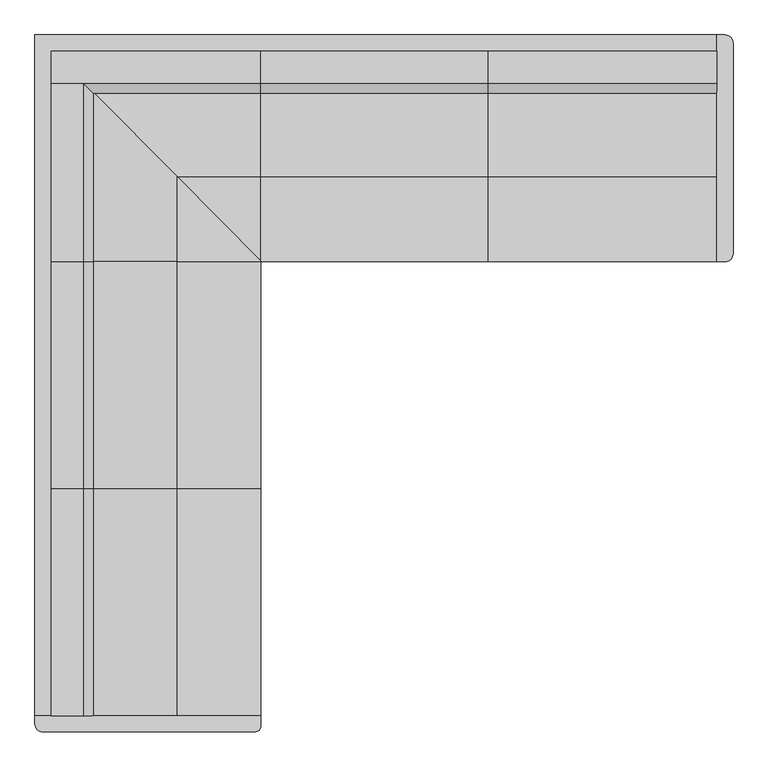
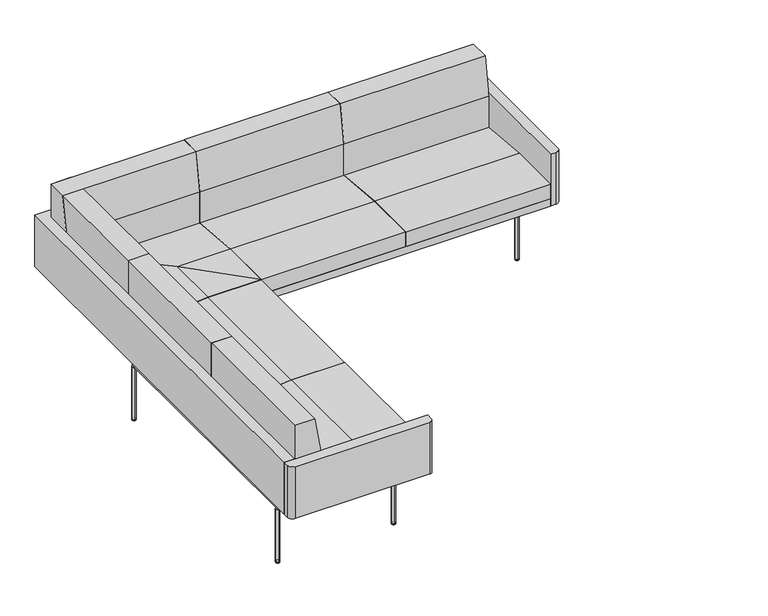
"""IFC4 building model written with IfcOpenShell, lengths in millimetres: furniture geometry."""

from ifc_helpers import new_model, si_unit, point, frame, frame_2d, origin, place, context, project, spatial, polyline, circle_curve, ellipse_curve, trimmed, segment, composite_curve, outline, extrude, faceted_brep, source, transform, mapped, element, save
from ifc_brep_helpers import plane_surface, revolved_surface, advanced_brep


def furniture_4f7dd1de(model_context):
    return source(origin(), model_context, "Body", "SolidModel", [
        extrude(outline(polyline([(-151.0170723, 761.9993339), (-50.8, 761.9993339), (-50.8, 355.5993339), (-183.057026, 355.5993339), (-183.057026, 570.0407405), (-151.0170723, 761.9993339)])), frame((707.1004874, 0.0, 0.0), z_axis=(1.0, 0.0, 0.0), x_axis=(0.0, 1.0, 0.0)), (0.0, 0.0, 1.0), 710.6907236),
        extrude(outline(polyline([(-151.0170723, 761.9993339), (-50.8, 761.9993339), (-50.8, 355.5993339), (-183.057026, 355.5993339), (-183.057026, 570.0407405), (-151.0170723, 761.9993339)])), frame((1419.061211, 0.0, 0.0), z_axis=(1.0, 0.0, 0.0), x_axis=(0.0, 1.0, 0.0)), (0.0, 0.0, 1.0), 714.900739),
        extrude(outline(polyline([(-50.8, 761.9993339), (-50.8, 355.5993339), (-183.057026, 355.5993339), (-183.057026, 570.0407405), (-151.0170723, 761.9993339), (-50.8, 761.9993339)])), frame((50.8, 0.0, 0.0), z_axis=(1.0, 0.0, 0.0), x_axis=(0.0, 1.0, 0.0)), (0.0, 0.0, 1.0), 655.0304874),
        extrude(outline(polyline([(761.9993339, 50.8), (355.5993339, 50.8), (355.5993339, 183.057026), (570.0407405, 183.057026), (761.9993339, 151.0170723), (761.9993339, 50.8)])), frame((0.0, -2131.8985317, 0.0), z_axis=(0.0, 1.0, 0.0), x_axis=(0.0, 0.0, 1.0)), (0.0, 0.0, 1.0), 709.8211468),
        extrude(outline(polyline([(761.9993339, 151.0170723), (761.9993339, 50.8), (355.5993339, 50.8), (355.5993339, 183.057026), (570.0407405, 183.057026), (761.9993339, 151.0170723)])), frame((0.0, -1420.8073849, 0.0), z_axis=(0.0, 1.0, 0.0), x_axis=(0.0, 0.0, 1.0)), (0.0, 0.0, 1.0), 710.326875),
        extrude(outline(polyline([(761.9993339, 151.0170723), (761.9993339, 50.8), (355.5993339, 50.8), (355.5993339, 183.057026), (570.0407405, 183.057026), (761.9993339, 151.0170723)])), frame((0.0, -709.2105099, 0.0), z_axis=(0.0, 1.0, 0.0), x_axis=(0.0, 0.0, 1.0)), (0.0, 0.0, 1.0), 658.4105099),
        faceted_brep([(184.327176, -1422.0773849, 355.5993339), (184.327176, -1422.0773849, 408.5303465), (445.3190385, -1422.0773849, 431.3641497), (707.1541095, -1422.0773849, 431.3641497), (707.1541095, -1422.0773849, 355.5993339), (184.327176, -2131.8985317, 355.5993339), (707.1541095, -2131.8985317, 355.5993339), (707.1541095, -2131.8985317, 431.3641497), (445.3190385, -2131.8985317, 431.3641497), (184.327176, -2131.8985317, 408.5303465)], [[[0, 1, 2, 3, 4]], [[5, 6, 7, 8, 9]], [[5, 9, 1, 0]], [[6, 5, 0, 4]], [[7, 6, 4, 3]], [[8, 7, 3, 2]], [[9, 8, 2, 1]]]),
        faceted_brep([(184.327176, -1420.8073849, 408.5303465), (184.327176, -1420.8073849, 355.5993339), (707.1541095, -1420.8073849, 355.5993339), (707.1541095, -1420.8073849, 431.3641497), (445.3190385, -1420.8073849, 431.3641497), (184.327176, -710.4805099, 355.5993339), (184.327176, -710.4805099, 408.5303465), (445.3190385, -710.4805099, 431.3641497), (707.1541095, -710.4805099, 431.3641497), (707.1541095, -710.4805099, 355.5993339)], [[[0, 1, 2, 3, 4]], [[5, 6, 7, 8, 9]], [[0, 6, 5, 1]], [[1, 5, 9, 2]], [[2, 9, 8, 3]], [[3, 8, 7, 4]], [[6, 0, 4, 7]]]),
        faceted_brep([(184.327176, -709.2105099, 408.5303465), (184.327176, -709.2105099, 355.5993339), (707.1541095, -709.2105099, 355.5993339), (707.1541095, -709.2105099, 431.3641497), (445.3190385, -709.2105099, 431.3641497), (184.327176, -180.3067751, 355.5993339), (184.327176, -180.3067751, 408.5303465), (445.3190385, -443.5252781, 431.3641497), (707.1541095, -707.5941835, 431.3641497), (707.1541095, -707.5941835, 355.5993339)], [[[0, 1, 2, 3, 4]], [[5, 6, 7, 8, 9]], [[6, 5, 1, 0]], [[5, 9, 2, 1]], [[9, 8, 3, 2]], [[8, 7, 4, 3]], [[7, 6, 0, 4]]]),
        faceted_brep([(1417.791211, -445.3190385, 431.3641497), (1417.791211, -710.3492658, 431.3641497), (1417.791211, -710.3492658, 355.5993339), (1417.791211, -180.3067751, 355.5993339), (1417.791211, -180.3067751, 408.1786074), (707.1004874, -707.5401039, 431.3641497), (707.1004874, -445.3190385, 431.3641497), (707.1004874, -180.3067751, 408.1786074), (707.1004874, -180.3067751, 355.5993339), (707.1004874, -707.5401039, 355.5993339), (709.8858858, -710.3492658, 355.5993339), (709.8858858, -710.3492658, 431.3641497)], [[[0, 1, 2, 3, 4]], [[5, 6, 7, 8, 9]], [[10, 11, 5, 9]], [[0, 6, 5, 11, 1]], [[11, 10, 2, 1]], [[2, 10, 9, 8, 3]], [[3, 8, 7, 4]], [[6, 0, 4, 7]]]),
        faceted_brep([(1419.061211, -710.3492658, 431.3641497), (1419.061211, -445.3190385, 431.3641497), (1419.061211, -180.3067751, 408.1786074), (1419.061211, -180.3067751, 355.5993339), (1419.061211, -710.3492658, 355.5993339), (2133.96195, -445.3190385, 431.3641497), (2133.96195, -710.3492658, 431.3641497), (2133.96195, -710.3492658, 355.5993339), (2133.96195, -180.3067751, 355.5993339), (2133.96195, -180.3067751, 408.1786074)], [[[0, 1, 2, 3, 4]], [[5, 6, 7, 8, 9]], [[6, 5, 1, 0]], [[7, 6, 0, 4]], [[8, 7, 4, 3]], [[9, 8, 3, 2]], [[5, 9, 2, 1]]]),
        faceted_brep([(705.8304874, -445.3190385, 431.3641497), (705.8304874, -706.2592689, 431.3641497), (705.8304874, -706.2592689, 355.5993339), (705.8304874, -180.3067751, 355.5993339), (705.8304874, -180.3067751, 408.1786074), (184.327176, -180.3067751, 408.1786074), (184.327176, -180.3067751, 355.5993339), (447.0976249, -445.3190385, 431.3641497)], [[[0, 1, 2, 3, 4]], [[5, 6, 2, 1, 7]], [[0, 7, 1]], [[2, 6, 3]], [[6, 5, 4, 3]], [[5, 7, 0, 4]]]),
        extrude(outline(polyline([(2133.96195, -50.8), (2133.96195, -710.3492658), (707.1541095, -710.3492658), (707.1541095, -2131.8985317), (50.8, -2131.8985317), (50.8, -50.8), (2133.96195, -50.8)])), frame((0.0, 0.0, 317.4993339), z_axis=(0.0, 0.0, 1.0), x_axis=(1.0, 0.0, 0.0)), (0.0, 0.0, 1.0), 38.1),
        extrude(outline(composite_curve([segment(trimmed(circle_curve(frame_2d((2159.36195, -25.4)), 25.4), [point((2159.36195, 0.0))], [point((2184.76195, -25.4))], False, "CARTESIAN"), True, "CONTINUOUS"), segment(polyline([(2184.76195, -25.4), (2184.76195, -684.9492658)]), True, "CONTINUOUS"), segment(trimmed(circle_curve(frame_2d((2159.36195, -684.9492658)), 25.4), [point((2184.76195, -684.9492658))], [point((2159.36195, -710.3492658))], False, "CARTESIAN"), True, "CONTINUOUS"), segment(polyline([(2159.36195, -710.3492658), (2133.96195, -710.3492658), (2133.96195, 0.0), (2159.36195, 0.0)]), True, "CONTINUOUS")], self_intersect=False)), frame((0.0, 0.0, 317.4993339), z_axis=(0.0, 0.0, 1.0), x_axis=(1.0, 0.0, 0.0)), (0.0, 0.0, 1.0), 269.8307867),
        extrude(outline(composite_curve([segment(polyline([(707.1541095, -2131.8985317), (707.1541095, -2163.6485317)]), True, "CONTINUOUS"), segment(trimmed(circle_curve(frame_2d((688.1041095, -2163.6485317)), 19.05), [point((707.1541095, -2163.6485317))], [point((688.1041095, -2182.6985317))], False, "CARTESIAN"), True, "CONTINUOUS"), segment(polyline([(688.1041095, -2182.6985317), (25.4, -2182.6985317)]), True, "CONTINUOUS"), segment(trimmed(circle_curve(frame_2d((25.4, -2157.2985317)), 25.4), [point((25.4, -2182.6985317))], [point((0.0, -2157.2985317))], False, "CARTESIAN"), True, "CONTINUOUS"), segment(polyline([(0.0, -2157.2985317), (0.0, -2131.8985317), (707.1541095, -2131.8985317)]), True, "CONTINUOUS")], self_intersect=False)), frame((0.0, 0.0, 317.4993339), z_axis=(0.0, 0.0, 1.0), x_axis=(1.0, 0.0, 0.0)), (0.0, 0.0, 1.0), 269.8307867),
        extrude(outline(polyline([(609.7809713, -2044.1865069), (19.662202, -2044.1865069), (19.662202, -798.3514283), (609.7809713, -798.3514283), (609.7809713, -2044.1865069)]), holes=[polyline([(592.6354071, -2025.861608), (592.6354071, -817.4014283), (38.712202, -817.4014283), (38.712202, -2025.861608), (592.6354071, -2025.861608)])]), frame((0.0, 0.0, 279.4000061), z_axis=(0.0, 0.0, 1.0), x_axis=(1.0, 0.0, 0.0)), (0.0, 0.0, 1.0), 38.0993278),
        extrude(outline(composite_curve([segment(trimmed(circle_curve(frame_2d((591.7998376, -809.4631812)), 9.525), [point((591.7998376, -799.9381812))], [point((601.3248376, -809.4631812))], False, "CARTESIAN"), True, "CONTINUOUS"), segment(trimmed(circle_curve(frame_2d((591.7998376, -809.4631812)), 9.525), [point((601.3248376, -809.4631812))], [point((591.7998376, -818.9881812))], False, "CARTESIAN"), True, "CONTINUOUS"), segment(trimmed(circle_curve(frame_2d((591.7998376, -809.4631812)), 9.525), [point((591.7998376, -818.9881812))], [point((582.2748376, -809.4631812))], False, "CARTESIAN"), True, "CONTINUOUS"), segment(trimmed(circle_curve(frame_2d((591.7998376, -809.4631812)), 9.525), [point((582.2748376, -809.4631812))], [point((591.7998376, -799.9381812))], False, "CARTESIAN"), True, "CONTINUOUS")], self_intersect=False)), frame((0.0, 0.0, 9.525), z_axis=(0.0, 0.0, 1.0), x_axis=(1.0, 0.0, 0.0)), (0.0, 0.0, 1.0), 269.8750061),
        extrude(outline(composite_curve([segment(trimmed(circle_curve(frame_2d((20.928692, -809.5619233)), 9.525), [point((20.928692, -800.0369233))], [point((30.453692, -809.5619233))], False, "CARTESIAN"), True, "CONTINUOUS"), segment(trimmed(circle_curve(frame_2d((20.928692, -809.5619233)), 9.525), [point((30.453692, -809.5619233))], [point((20.928692, -819.0869233))], False, "CARTESIAN"), True, "CONTINUOUS"), segment(trimmed(circle_curve(frame_2d((20.928692, -809.5619233)), 9.525), [point((20.928692, -819.0869233))], [point((11.403692, -809.5619233))], False, "CARTESIAN"), True, "CONTINUOUS"), segment(trimmed(circle_curve(frame_2d((20.928692, -809.5619233)), 9.525), [point((11.403692, -809.5619233))], [point((20.928692, -800.0369233))], False, "CARTESIAN"), True, "CONTINUOUS")], self_intersect=False)), frame((0.0, 0.0, 9.525), z_axis=(0.0, 0.0, 1.0), x_axis=(1.0, 0.0, 0.0)), (0.0, 0.0, 1.0), 269.8750061),
        advanced_brep(
        [(21.2885159, -812.7205803, 0.0), (21.2885159, -805.1542144, 0.0), (21.2885159, -808.9373973, 0.0), (21.2885159, -818.4623973, 3.1750001), (21.2885159, -799.4123973, 3.1750001), (21.2885159, -818.5928435, 6.4931848), (21.2885159, -799.2819511, 6.4931848), (21.2885159, -813.087272, 9.5049435), (21.2885159, -804.7875227, 9.5049435), (21.2885159, -808.9373973, 9.5049435)],
        [
            (0, 1, circle_curve(frame((21.2885159, -808.9373973, 0.0), z_axis=(0.0, 0.0, -1.0), x_axis=(0.0, 1.0, 0.0)), 3.783183)),
            (1, 2),
            (2, 0),
            (1, 0, circle_curve(frame((21.2885159, -808.9373973, 0.0), z_axis=(0.0, 0.0, -1.0), x_axis=(0.0, 1.0, 0.0)), 3.783183)),
            (3, 4, circle_curve(frame((21.2885159, -808.9373973, 3.1750001), z_axis=(0.0, 0.0, -1.0), x_axis=(0.0, 1.0, 0.0)), 9.525)),
            (4, 1, circle_curve(frame((21.2885159, -805.1542144, 6.7793838), z_axis=(-1.0, 0.0, 0.0), x_axis=(0.0, 1.0, 0.0)), 6.7793838)),
            (0, 3, circle_curve(frame((21.2885159, -812.7205803, 6.7793838), z_axis=(-1.0, 0.0, 0.0), x_axis=(0.0, -1.0, 0.0)), 6.7793838)),
            (4, 3, circle_curve(frame((21.2885159, -808.9373973, 3.1750001), z_axis=(0.0, 0.0, -1.0), x_axis=(0.0, 1.0, 0.0)), 9.525)),
            (5, 6, circle_curve(frame((21.2885159, -808.9373973, 6.4931848), z_axis=(0.0, 0.0, -1.0), x_axis=(0.0, 1.0, 0.0)), 9.6554462)),
            (6, 4),
            (3, 5),
            (6, 5, circle_curve(frame((21.2885159, -808.9373973, 6.4931848), z_axis=(0.0, 0.0, -1.0), x_axis=(0.0, 1.0, 0.0)), 9.6554462)),
            (7, 8, circle_curve(frame((21.2885159, -808.9373973, 9.5049435), z_axis=(0.0, 0.0, -1.0), x_axis=(0.0, 1.0, 0.0)), 4.1498747)),
            (8, 6, circle_curve(frame((21.2885159, -804.7875227, 2.9669016), z_axis=(-1.0, 0.0, 0.0), x_axis=(0.0, 1.0, 0.0)), 6.5380418)),
            (5, 7, circle_curve(frame((21.2885159, -813.087272, 2.9669016), z_axis=(-1.0, 0.0, 0.0), x_axis=(0.0, -1.0, 0.0)), 6.5380418)),
            (8, 7, circle_curve(frame((21.2885159, -808.9373973, 9.5049435), z_axis=(0.0, 0.0, -1.0), x_axis=(0.0, 1.0, 0.0)), 4.1498747)),
            (9, 8),
            (7, 9),
        ],
        [
            plane_surface(frame((21.2885159, -808.9373973, 0.0), z_axis=(0.0, 0.0, -1.0), x_axis=(0.0, 1.0, 0.0))),
            revolved_surface(trimmed(ellipse_curve(frame((21.2885159, -805.1542144, 6.7793838), z_axis=(1.0, 0.0, 0.0), x_axis=(0.0, 1.0, 0.0)), 6.7793838, 6.7793838), [point((21.2885159, -805.1542144, 0.0))], [point((21.2885159, -799.4123973, 3.1750001))], True, "CARTESIAN"), (21.2885159, -808.9373973, 2.4865786), (0.0, 0.0, 1.0)),
            revolved_surface(polyline([(21.2885159, -799.4123973, 3.1750001), (21.2885159, -799.2819511, 6.4931848)]), (21.2885159, -808.9373973, 2.4865786), (0.0, 0.0, 1.0)),
            revolved_surface(trimmed(ellipse_curve(frame((21.2885159, -804.7875227, 2.9669016), z_axis=(1.0, 0.0, 0.0), x_axis=(0.0, 1.0, 0.0)), 6.5380418, 6.5380418), [point((21.2885159, -799.2819511, 6.4931848))], [point((21.2885159, -804.7875227, 9.5049435))], True, "CARTESIAN"), (21.2885159, -808.9373973, 2.4865786), (0.0, 0.0, 1.0)),
            plane_surface(frame((21.2885159, -808.9373973, 9.5049435), z_axis=(0.0, 0.0, 1.0), x_axis=(0.0, 1.0, 0.0))),
        ],
        [
            (0, [[1, 2, 3]]),
            (0, [[4, -3, -2]]),
            (1, [[5, 6, -1, 7]]),
            (1, [[8, -7, -4, -6]]),
            (2, [[9, 10, -5, 11]]),
            (2, [[12, -11, -8, -10]]),
            (3, [[13, 14, -9, 15]]),
            (3, [[16, -15, -12, -14]]),
            (4, [[17, -13, 18]]),
            (4, [[-18, -16, -17]]),
        ],
    ),
        advanced_brep(
        [(592.7184648, -809.1039254, 0.0), (592.7184648, -805.3207425, 0.0), (592.7184648, -812.8871084, 0.0), (592.7184648, -799.5789254, 3.1750001), (592.7184648, -818.6289254, 3.1750001), (592.7184648, -799.4484792, 6.4931848), (592.7184648, -818.7593716, 6.4931848), (592.7184648, -804.9540508, 9.5049435), (592.7184648, -813.2538001, 9.5049435), (592.7184648, -809.1039254, 9.5049435)],
        [
            (0, 1),
            (1, 2, circle_curve(frame((592.7184648, -809.1039254, 0.0), z_axis=(0.0, 0.0, -1.0), x_axis=(0.0, 1.0, 0.0)), 3.783183)),
            (2, 0),
            (2, 1, circle_curve(frame((592.7184648, -809.1039254, 0.0), z_axis=(0.0, 0.0, -1.0), x_axis=(0.0, 1.0, 0.0)), 3.783183)),
            (1, 3, circle_curve(frame((592.7184648, -805.3207425, 6.7793838), z_axis=(1.0, 0.0, 0.0), x_axis=(0.0, 1.0, 0.0)), 6.7793838)),
            (3, 4, circle_curve(frame((592.7184648, -809.1039254, 3.1750001), z_axis=(0.0, 0.0, -1.0), x_axis=(0.0, 1.0, 0.0)), 9.525)),
            (4, 2, circle_curve(frame((592.7184648, -812.8871084, 6.7793838), z_axis=(1.0, 0.0, 0.0), x_axis=(0.0, -1.0, 0.0)), 6.7793838)),
            (4, 3, circle_curve(frame((592.7184648, -809.1039254, 3.1750001), z_axis=(0.0, 0.0, -1.0), x_axis=(0.0, 1.0, 0.0)), 9.525)),
            (3, 5),
            (5, 6, circle_curve(frame((592.7184648, -809.1039254, 6.4931848), z_axis=(0.0, 0.0, -1.0), x_axis=(0.0, 1.0, 0.0)), 9.6554462)),
            (6, 4),
            (6, 5, circle_curve(frame((592.7184648, -809.1039254, 6.4931848), z_axis=(0.0, 0.0, -1.0), x_axis=(0.0, 1.0, 0.0)), 9.6554462)),
            (5, 7, circle_curve(frame((592.7184648, -804.9540508, 2.9669016), z_axis=(1.0, 0.0, 0.0), x_axis=(0.0, 1.0, 0.0)), 6.5380418)),
            (7, 8, circle_curve(frame((592.7184648, -809.1039254, 9.5049435), z_axis=(0.0, 0.0, -1.0), x_axis=(0.0, 1.0, 0.0)), 4.1498747)),
            (8, 6, circle_curve(frame((592.7184648, -813.2538001, 2.9669016), z_axis=(1.0, 0.0, 0.0), x_axis=(0.0, -1.0, 0.0)), 6.5380418)),
            (8, 7, circle_curve(frame((592.7184648, -809.1039254, 9.5049435), z_axis=(0.0, 0.0, -1.0), x_axis=(0.0, 1.0, 0.0)), 4.1498747)),
            (7, 9),
            (9, 8),
        ],
        [
            plane_surface(frame((592.7184648, -809.1039254, 0.0), z_axis=(0.0, 0.0, -1.0), x_axis=(0.0, 1.0, 0.0))),
            revolved_surface(trimmed(ellipse_curve(frame((592.7184648, -805.3207425, 6.7793838), z_axis=(-1.0, 0.0, 0.0), x_axis=(0.0, 1.0, 0.0)), 6.7793838, 6.7793838), [point((592.7184648, -799.5789254, 3.1750001))], [point((592.7184648, -805.3207425, 0.0))], True, "CARTESIAN"), (592.7184648, -809.1039254, 2.4865786), (0.0, 0.0, -1.0)),
            revolved_surface(polyline([(592.7184648, -799.4484792, 6.4931848), (592.7184648, -799.5789254, 3.1750001)]), (592.7184648, -809.1039254, 2.4865786), (0.0, 0.0, -1.0)),
            revolved_surface(trimmed(ellipse_curve(frame((592.7184648, -804.9540508, 2.9669016), z_axis=(-1.0, 0.0, 0.0), x_axis=(0.0, 1.0, 0.0)), 6.5380418, 6.5380418), [point((592.7184648, -804.9540508, 9.5049435))], [point((592.7184648, -799.4484792, 6.4931848))], True, "CARTESIAN"), (592.7184648, -809.1039254, 2.4865786), (0.0, 0.0, -1.0)),
            plane_surface(frame((592.7184648, -809.1039254, 9.5049435), z_axis=(0.0, 0.0, 1.0), x_axis=(0.0, 1.0, 0.0))),
        ],
        [
            (0, [[1, 2, 3]]),
            (0, [[-3, 4, -1]]),
            (1, [[-2, 5, 6, 7]]),
            (1, [[-4, -7, 8, -5]]),
            (2, [[-6, 9, 10, 11]]),
            (2, [[-8, -11, 12, -9]]),
            (3, [[-10, 13, 14, 15]]),
            (3, [[-12, -15, 16, -13]]),
            (4, [[-14, 17, 18]]),
            (4, [[-16, -18, -17]]),
        ],
    ),
        advanced_brep(
        [(22.0372839, -2035.5523518, 0.0), (22.0372839, -2039.3355348, 0.0), (22.0372839, -2031.7691688, 0.0), (22.0372839, -2045.0773518, 3.1750001), (22.0372839, -2026.0273518, 3.1750001), (22.0372839, -2045.207798, 6.4931848), (22.0372839, -2025.8969056, 6.4931848), (22.0372839, -2039.7022265, 9.5049434), (22.0372839, -2031.4024771, 9.5049434), (22.0372839, -2035.5523518, 9.5049435)],
        [
            (0, 1),
            (1, 2, circle_curve(frame((22.0372839, -2035.5523518, 0.0), z_axis=(0.0, 0.0, -1.0), x_axis=(0.0, -1.0, 0.0)), 3.783183)),
            (2, 0),
            (2, 1, circle_curve(frame((22.0372839, -2035.5523518, 0.0), z_axis=(0.0, 0.0, -1.0), x_axis=(0.0, -1.0, 0.0)), 3.783183)),
            (1, 3, circle_curve(frame((22.0372839, -2039.3355348, 6.7793838), z_axis=(-1.0, 0.0, 0.0), x_axis=(0.0, -1.0, 0.0)), 6.7793838)),
            (3, 4, circle_curve(frame((22.0372839, -2035.5523518, 3.1750001), z_axis=(0.0, 0.0, -1.0), x_axis=(0.0, -1.0, 0.0)), 9.525)),
            (4, 2, circle_curve(frame((22.0372839, -2031.7691688, 6.7793838), z_axis=(-1.0, 0.0, 0.0), x_axis=(0.0, 1.0, 0.0)), 6.7793838)),
            (4, 3, circle_curve(frame((22.0372839, -2035.5523518, 3.1750001), z_axis=(0.0, 0.0, -1.0), x_axis=(0.0, -1.0, 0.0)), 9.525)),
            (3, 5),
            (5, 6, circle_curve(frame((22.0372839, -2035.5523518, 6.4931848), z_axis=(0.0, 0.0, -1.0), x_axis=(0.0, -1.0, 0.0)), 9.6554462)),
            (6, 4),
            (6, 5, circle_curve(frame((22.0372839, -2035.5523518, 6.4931848), z_axis=(0.0, 0.0, -1.0), x_axis=(0.0, -1.0, 0.0)), 9.6554462)),
            (5, 7, circle_curve(frame((22.0372839, -2039.7022265, 2.9669016), z_axis=(-1.0, 0.0, 0.0), x_axis=(0.0, -1.0, 0.0)), 6.5380418)),
            (7, 8, circle_curve(frame((22.0372839, -2035.5523518, 9.5049434), z_axis=(0.0, 0.0, -1.0), x_axis=(0.0, -1.0, 0.0)), 4.1498747)),
            (8, 6, circle_curve(frame((22.0372839, -2031.4024771, 2.9669016), z_axis=(-1.0, 0.0, 0.0), x_axis=(0.0, 1.0, 0.0)), 6.5380418)),
            (8, 7, circle_curve(frame((22.0372839, -2035.5523518, 9.5049434), z_axis=(0.0, 0.0, -1.0), x_axis=(0.0, -1.0, 0.0)), 4.1498747)),
            (7, 9),
            (9, 8),
        ],
        [
            plane_surface(frame((22.0372839, -2035.5523518, 0.0), z_axis=(0.0, 0.0, -1.0), x_axis=(0.0, -1.0, 0.0))),
            revolved_surface(trimmed(ellipse_curve(frame((22.0372839, -2039.3355348, 6.7793838), z_axis=(1.0, 0.0, 0.0), x_axis=(0.0, -1.0, 0.0)), 6.7793838, 6.7793838), [point((22.0372839, -2045.0773518, 3.1750001))], [point((22.0372839, -2039.3355348, 0.0))], True, "CARTESIAN"), (22.0372839, -2035.5523518, 2.4865786), (0.0, 0.0, -1.0)),
            revolved_surface(polyline([(22.0372839, -2045.207798, 6.4931848), (22.0372839, -2045.0773518, 3.1750001)]), (22.0372839, -2035.5523518, 2.4865786), (0.0, 0.0, -1.0)),
            revolved_surface(trimmed(ellipse_curve(frame((22.0372839, -2039.7022265, 2.9669016), z_axis=(1.0, 0.0, 0.0), x_axis=(0.0, -1.0, 0.0)), 6.5380418, 6.5380418), [point((22.0372839, -2039.7022265, 9.5049434))], [point((22.0372839, -2045.207798, 6.4931848))], True, "CARTESIAN"), (22.0372839, -2035.5523518, 2.4865786), (0.0, 0.0, -1.0)),
            plane_surface(frame((22.0372839, -2035.5523518, 9.5049435), z_axis=(0.0, 0.0, 1.0), x_axis=(0.0, -1.0, 0.0))),
        ],
        [
            (0, [[1, 2, 3]]),
            (0, [[-3, 4, -1]]),
            (1, [[-2, 5, 6, 7]]),
            (1, [[-4, -7, 8, -5]]),
            (2, [[-6, 9, 10, 11]]),
            (2, [[-8, -11, 12, -9]]),
            (3, [[-10, 13, 14, 15]]),
            (3, [[-12, -15, 16, -13]]),
            (4, [[-14, 17, 18]]),
            (4, [[-16, -18, -17]]),
        ],
    ),
        advanced_brep(
        [(594.0808058, -2031.5939054, 0.0), (594.0808058, -2039.1602714, 0.0), (594.0808058, -2035.3770884, 0.0), (594.0808058, -2025.8520884, 3.1750001), (594.0808058, -2044.9020884, 3.1750001), (594.0808058, -2025.7216422, 6.4931848), (594.0808058, -2045.0325346, 6.4931848), (594.0808058, -2031.2272137, 9.5049435), (594.0808058, -2039.526963, 9.5049435), (594.0808058, -2035.3770884, 9.5049435)],
        [
            (0, 1, circle_curve(frame((594.0808058, -2035.3770884, 0.0), z_axis=(0.0, 0.0, -1.0), x_axis=(0.0, -1.0, 0.0)), 3.783183)),
            (1, 2),
            (2, 0),
            (1, 0, circle_curve(frame((594.0808058, -2035.3770884, 0.0), z_axis=(0.0, 0.0, -1.0), x_axis=(0.0, -1.0, 0.0)), 3.783183)),
            (3, 4, circle_curve(frame((594.0808058, -2035.3770884, 3.1750001), z_axis=(0.0, 0.0, -1.0), x_axis=(0.0, -1.0, 0.0)), 9.525)),
            (4, 1, circle_curve(frame((594.0808058, -2039.1602714, 6.7793838), z_axis=(1.0, 0.0, 0.0), x_axis=(0.0, -1.0, 0.0)), 6.7793838)),
            (0, 3, circle_curve(frame((594.0808058, -2031.5939054, 6.7793838), z_axis=(1.0, 0.0, 0.0), x_axis=(0.0, 1.0, 0.0)), 6.7793838)),
            (4, 3, circle_curve(frame((594.0808058, -2035.3770884, 3.1750001), z_axis=(0.0, 0.0, -1.0), x_axis=(0.0, -1.0, 0.0)), 9.525)),
            (5, 6, circle_curve(frame((594.0808058, -2035.3770884, 6.4931848), z_axis=(0.0, 0.0, -1.0), x_axis=(0.0, -1.0, 0.0)), 9.6554462)),
            (6, 4),
            (3, 5),
            (6, 5, circle_curve(frame((594.0808058, -2035.3770884, 6.4931848), z_axis=(0.0, 0.0, -1.0), x_axis=(0.0, -1.0, 0.0)), 9.6554462)),
            (7, 8, circle_curve(frame((594.0808058, -2035.3770884, 9.5049435), z_axis=(0.0, 0.0, -1.0), x_axis=(0.0, -1.0, 0.0)), 4.1498747)),
            (8, 6, circle_curve(frame((594.0808058, -2039.526963, 2.9669016), z_axis=(1.0, 0.0, 0.0), x_axis=(0.0, -1.0, 0.0)), 6.5380418)),
            (5, 7, circle_curve(frame((594.0808058, -2031.2272137, 2.9669016), z_axis=(1.0, 0.0, 0.0), x_axis=(0.0, 1.0, 0.0)), 6.5380418)),
            (8, 7, circle_curve(frame((594.0808058, -2035.3770884, 9.5049435), z_axis=(0.0, 0.0, -1.0), x_axis=(0.0, -1.0, 0.0)), 4.1498747)),
            (9, 8),
            (7, 9),
        ],
        [
            plane_surface(frame((594.0808058, -2035.3770884, 0.0), z_axis=(0.0, 0.0, -1.0), x_axis=(0.0, -1.0, 0.0))),
            revolved_surface(trimmed(ellipse_curve(frame((594.0808058, -2039.1602714, 6.7793838), z_axis=(-1.0, 0.0, 0.0), x_axis=(0.0, -1.0, 0.0)), 6.7793838, 6.7793838), [point((594.0808058, -2039.1602714, 0.0))], [point((594.0808058, -2044.9020884, 3.1750001))], True, "CARTESIAN"), (594.0808058, -2035.3770884, 2.4865786), (0.0, 0.0, 1.0)),
            revolved_surface(polyline([(594.0808058, -2044.9020884, 3.1750001), (594.0808058, -2045.0325346, 6.4931848)]), (594.0808058, -2035.3770884, 2.4865786), (0.0, 0.0, 1.0)),
            revolved_surface(trimmed(ellipse_curve(frame((594.0808058, -2039.526963, 2.9669016), z_axis=(-1.0, 0.0, 0.0), x_axis=(0.0, -1.0, 0.0)), 6.5380418, 6.5380418), [point((594.0808058, -2045.0325346, 6.4931848))], [point((594.0808058, -2039.526963, 9.5049435))], True, "CARTESIAN"), (594.0808058, -2035.3770884, 2.4865786), (0.0, 0.0, 1.0)),
            plane_surface(frame((594.0808058, -2035.3770884, 9.5049435), z_axis=(0.0, 0.0, 1.0), x_axis=(0.0, -1.0, 0.0))),
        ],
        [
            (0, [[1, 2, 3]]),
            (0, [[4, -3, -2]]),
            (1, [[5, 6, -1, 7]]),
            (1, [[8, -7, -4, -6]]),
            (2, [[9, 10, -5, 11]]),
            (2, [[12, -11, -8, -10]]),
            (3, [[13, 14, -9, 15]]),
            (3, [[16, -15, -12, -14]]),
            (4, [[17, -13, 18]]),
            (4, [[-18, -16, -17]]),
        ],
    ),
        extrude(outline(composite_curve([segment(trimmed(circle_curve(frame_2d((593.3031962, -2035.4749288)), 9.525), [point((593.3031962, -2044.9999288))], [point((583.7781962, -2035.4749288))], False, "CARTESIAN"), True, "CONTINUOUS"), segment(trimmed(circle_curve(frame_2d((593.3031962, -2035.4749288)), 9.525), [point((583.7781962, -2035.4749288))], [point((593.3031962, -2025.9499288))], False, "CARTESIAN"), True, "CONTINUOUS"), segment(trimmed(circle_curve(frame_2d((593.3031962, -2035.4749288)), 9.525), [point((593.3031962, -2025.9499288))], [point((602.8281962, -2035.4749288))], False, "CARTESIAN"), True, "CONTINUOUS"), segment(trimmed(circle_curve(frame_2d((593.3031962, -2035.4749288)), 9.525), [point((602.8281962, -2035.4749288))], [point((593.3031962, -2044.9999288))], False, "CARTESIAN"), True, "CONTINUOUS")], self_intersect=False)), frame((0.0, 0.0, 9.525), z_axis=(0.0, 0.0, 1.0), x_axis=(1.0, 0.0, 0.0)), (0.0, 0.0, 1.0), 269.8750061),
        extrude(outline(composite_curve([segment(trimmed(circle_curve(frame_2d((22.1640909, -2035.3761867)), 9.525), [point((22.1640909, -2044.9011867))], [point((12.6390909, -2035.3761867))], False, "CARTESIAN"), True, "CONTINUOUS"), segment(trimmed(circle_curve(frame_2d((22.1640909, -2035.3761867)), 9.525), [point((12.6390909, -2035.3761867))], [point((22.1640909, -2025.8511867))], False, "CARTESIAN"), True, "CONTINUOUS"), segment(trimmed(circle_curve(frame_2d((22.1640909, -2035.3761867)), 9.525), [point((22.1640909, -2025.8511867))], [point((31.6890909, -2035.3761867))], False, "CARTESIAN"), True, "CONTINUOUS"), segment(trimmed(circle_curve(frame_2d((22.1640909, -2035.3761867)), 9.525), [point((31.6890909, -2035.3761867))], [point((22.1640909, -2044.9011867))], False, "CARTESIAN"), True, "CONTINUOUS")], self_intersect=False)), frame((0.0, 0.0, 9.525), z_axis=(0.0, 0.0, 1.0), x_axis=(1.0, 0.0, 0.0)), (0.0, 0.0, 1.0), 269.8750061),
        extrude(outline(polyline([(2044.499587, -13.1312368), (2044.499587, -603.2500051), (266.477247, -603.2500051), (266.477247, -13.1312368), (2044.499587, -13.1312368)]), holes=[polyline([(2025.8742703, -30.2768), (285.527247, -30.2768), (285.527247, -584.2000051), (2025.8742703, -584.2000051), (2025.8742703, -30.2768)])]), frame((0.0, 0.0, 279.4000061), z_axis=(0.0, 0.0, 1.0), x_axis=(1.0, 0.0, 0.0)), (0.0, 0.0, 1.0), 38.0993278),
        extrude(outline(composite_curve([segment(trimmed(circle_curve(frame_2d((276.437054, -22.8134188)), 9.525), [point((266.912054, -22.8134188))], [point((276.437054, -13.2884188))], False, "CARTESIAN"), True, "CONTINUOUS"), segment(trimmed(circle_curve(frame_2d((276.437054, -22.8134188)), 9.525), [point((276.437054, -13.2884188))], [point((285.962054, -22.8134188))], False, "CARTESIAN"), True, "CONTINUOUS"), segment(trimmed(circle_curve(frame_2d((276.437054, -22.8134188)), 9.525), [point((285.962054, -22.8134188))], [point((276.437054, -32.3384188))], False, "CARTESIAN"), True, "CONTINUOUS"), segment(trimmed(circle_curve(frame_2d((276.437054, -22.8134188)), 9.525), [point((276.437054, -32.3384188))], [point((266.912054, -22.8134188))], False, "CARTESIAN"), True, "CONTINUOUS")], self_intersect=False)), frame((0.0, 0.0, 9.525), z_axis=(0.0, 0.0, 1.0), x_axis=(1.0, 0.0, 0.0)), (0.0, 0.0, 1.0), 269.8750061),
        extrude(outline(composite_curve([segment(trimmed(circle_curve(frame_2d((276.535796, -593.6845644)), 9.525), [point((267.010796, -593.6845644))], [point((276.535796, -584.1595644))], False, "CARTESIAN"), True, "CONTINUOUS"), segment(trimmed(circle_curve(frame_2d((276.535796, -593.6845644)), 9.525), [point((276.535796, -584.1595644))], [point((286.060796, -593.6845644))], False, "CARTESIAN"), True, "CONTINUOUS"), segment(trimmed(circle_curve(frame_2d((276.535796, -593.6845644)), 9.525), [point((286.060796, -593.6845644))], [point((276.535796, -603.2095644))], False, "CARTESIAN"), True, "CONTINUOUS"), segment(trimmed(circle_curve(frame_2d((276.535796, -593.6845644)), 9.525), [point((276.535796, -603.2095644))], [point((267.010796, -593.6845644))], False, "CARTESIAN"), True, "CONTINUOUS")], self_intersect=False)), frame((0.0, 0.0, 9.525), z_axis=(0.0, 0.0, 1.0), x_axis=(1.0, 0.0, 0.0)), (0.0, 0.0, 1.0), 269.8750061),
        advanced_brep(
        [(279.6944531, -593.3247405, 0.0), (272.1280871, -593.3247405, 0.0), (275.9112701, -593.3247405, 0.0), (285.4362701, -593.3247405, 3.1750001), (266.3862701, -593.3247405, 3.1750001), (285.5667163, -593.3247405, 6.4931848), (266.2558239, -593.3247405, 6.4931848), (280.0611447, -593.3247405, 9.5049435), (271.7613954, -593.3247405, 9.5049435), (275.9112701, -593.3247405, 9.5049435)],
        [
            (0, 1, circle_curve(frame((275.9112701, -593.3247405, 0.0), z_axis=(0.0, 0.0, -1.0), x_axis=(-1.0, 0.0, 0.0)), 3.783183)),
            (1, 2),
            (2, 0),
            (1, 0, circle_curve(frame((275.9112701, -593.3247405, 0.0), z_axis=(0.0, 0.0, -1.0), x_axis=(-1.0, 0.0, 0.0)), 3.783183)),
            (3, 4, circle_curve(frame((275.9112701, -593.3247405, 3.1750001), z_axis=(0.0, 0.0, -1.0), x_axis=(-1.0, 0.0, 0.0)), 9.525)),
            (4, 1, circle_curve(frame((272.1280871, -593.3247405, 6.7793838), z_axis=(0.0, -1.0, 0.0), x_axis=(-1.0, 0.0, 0.0)), 6.7793838)),
            (0, 3, circle_curve(frame((279.6944531, -593.3247405, 6.7793838), z_axis=(0.0, -1.0, 0.0), x_axis=(1.0, 0.0, 0.0)), 6.7793838)),
            (4, 3, circle_curve(frame((275.9112701, -593.3247405, 3.1750001), z_axis=(0.0, 0.0, -1.0), x_axis=(-1.0, 0.0, 0.0)), 9.525)),
            (5, 6, circle_curve(frame((275.9112701, -593.3247405, 6.4931848), z_axis=(0.0, 0.0, -1.0), x_axis=(-1.0, 0.0, 0.0)), 9.6554462)),
            (6, 4),
            (3, 5),
            (6, 5, circle_curve(frame((275.9112701, -593.3247405, 6.4931848), z_axis=(0.0, 0.0, -1.0), x_axis=(-1.0, 0.0, 0.0)), 9.6554462)),
            (7, 8, circle_curve(frame((275.9112701, -593.3247405, 9.5049435), z_axis=(0.0, 0.0, -1.0), x_axis=(-1.0, 0.0, 0.0)), 4.1498747)),
            (8, 6, circle_curve(frame((271.7613954, -593.3247405, 2.9669016), z_axis=(0.0, -1.0, 0.0), x_axis=(-1.0, 0.0, 0.0)), 6.5380418)),
            (5, 7, circle_curve(frame((280.0611447, -593.3247405, 2.9669016), z_axis=(0.0, -1.0, 0.0), x_axis=(1.0, 0.0, 0.0)), 6.5380418)),
            (8, 7, circle_curve(frame((275.9112701, -593.3247405, 9.5049435), z_axis=(0.0, 0.0, -1.0), x_axis=(-1.0, 0.0, 0.0)), 4.1498747)),
            (9, 8),
            (7, 9),
        ],
        [
            plane_surface(frame((275.9112701, -593.3247405, 0.0), z_axis=(0.0, 0.0, -1.0), x_axis=(-1.0, 0.0, 0.0))),
            revolved_surface(trimmed(ellipse_curve(frame((272.1280871, -593.3247405, 6.7793838), z_axis=(0.0, 1.0, 0.0), x_axis=(-1.0, 0.0, 0.0)), 6.7793838, 6.7793838), [point((272.1280871, -593.3247405, 0.0))], [point((266.3862701, -593.3247405, 3.1750001))], True, "CARTESIAN"), (275.9112701, -593.3247405, 2.4865786), (0.0, 0.0, 1.0)),
            revolved_surface(polyline([(266.3862701, -593.3247405, 3.1750001), (266.2558239, -593.3247405, 6.4931848)]), (275.9112701, -593.3247405, 2.4865786), (0.0, 0.0, 1.0)),
            revolved_surface(trimmed(ellipse_curve(frame((271.7613954, -593.3247405, 2.9669016), z_axis=(0.0, 1.0, 0.0), x_axis=(-1.0, 0.0, 0.0)), 6.5380418, 6.5380418), [point((266.2558239, -593.3247405, 6.4931848))], [point((271.7613954, -593.3247405, 9.5049435))], True, "CARTESIAN"), (275.9112701, -593.3247405, 2.4865786), (0.0, 0.0, 1.0)),
            plane_surface(frame((275.9112701, -593.3247405, 9.5049435), z_axis=(0.0, 0.0, 1.0), x_axis=(-1.0, 0.0, 0.0))),
        ],
        [
            (0, [[1, 2, 3]]),
            (0, [[4, -3, -2]]),
            (1, [[5, 6, -1, 7]]),
            (1, [[8, -7, -4, -6]]),
            (2, [[9, 10, -5, 11]]),
            (2, [[12, -11, -8, -10]]),
            (3, [[13, 14, -9, 15]]),
            (3, [[16, -15, -12, -14]]),
            (4, [[17, -13, 18]]),
            (4, [[-18, -16, -17]]),
        ],
    ),
        advanced_brep(
        [(276.0777982, -21.8947916, 0.0), (272.2946152, -21.8947916, 0.0), (279.8609812, -21.8947916, 0.0), (266.5527982, -21.8947916, 3.1750001), (285.6027982, -21.8947916, 3.1750001), (266.422352, -21.8947916, 6.4931848), (285.7332444, -21.8947916, 6.4931848), (271.9279235, -21.8947916, 9.5049435), (280.2276728, -21.8947916, 9.5049435), (276.0777982, -21.8947916, 9.5049435)],
        [
            (0, 1),
            (1, 2, circle_curve(frame((276.0777982, -21.8947916, 0.0), z_axis=(0.0, 0.0, -1.0), x_axis=(-1.0, 0.0, 0.0)), 3.783183)),
            (2, 0),
            (2, 1, circle_curve(frame((276.0777982, -21.8947916, 0.0), z_axis=(0.0, 0.0, -1.0), x_axis=(-1.0, 0.0, 0.0)), 3.783183)),
            (1, 3, circle_curve(frame((272.2946152, -21.8947916, 6.7793838), z_axis=(0.0, 1.0, 0.0), x_axis=(-1.0, 0.0, 0.0)), 6.7793838)),
            (3, 4, circle_curve(frame((276.0777982, -21.8947916, 3.1750001), z_axis=(0.0, 0.0, -1.0), x_axis=(-1.0, 0.0, 0.0)), 9.525)),
            (4, 2, circle_curve(frame((279.8609812, -21.8947916, 6.7793838), z_axis=(0.0, 1.0, 0.0), x_axis=(1.0, 0.0, 0.0)), 6.7793838)),
            (4, 3, circle_curve(frame((276.0777982, -21.8947916, 3.1750001), z_axis=(0.0, 0.0, -1.0), x_axis=(-1.0, 0.0, 0.0)), 9.525)),
            (3, 5),
            (5, 6, circle_curve(frame((276.0777982, -21.8947916, 6.4931848), z_axis=(0.0, 0.0, -1.0), x_axis=(-1.0, 0.0, 0.0)), 9.6554462)),
            (6, 4),
            (6, 5, circle_curve(frame((276.0777982, -21.8947916, 6.4931848), z_axis=(0.0, 0.0, -1.0), x_axis=(-1.0, 0.0, 0.0)), 9.6554462)),
            (5, 7, circle_curve(frame((271.9279235, -21.8947916, 2.9669016), z_axis=(0.0, 1.0, 0.0), x_axis=(-1.0, 0.0, 0.0)), 6.5380418)),
            (7, 8, circle_curve(frame((276.0777982, -21.8947916, 9.5049435), z_axis=(0.0, 0.0, -1.0), x_axis=(-1.0, 0.0, 0.0)), 4.1498747)),
            (8, 6, circle_curve(frame((280.2276728, -21.8947916, 2.9669016), z_axis=(0.0, 1.0, 0.0), x_axis=(1.0, 0.0, 0.0)), 6.5380418)),
            (8, 7, circle_curve(frame((276.0777982, -21.8947916, 9.5049435), z_axis=(0.0, 0.0, -1.0), x_axis=(-1.0, 0.0, 0.0)), 4.1498747)),
            (7, 9),
            (9, 8),
        ],
        [
            plane_surface(frame((276.0777982, -21.8947916, 0.0), z_axis=(0.0, 0.0, -1.0), x_axis=(-1.0, 0.0, 0.0))),
            revolved_surface(trimmed(ellipse_curve(frame((272.2946152, -21.8947916, 6.7793838), z_axis=(0.0, -1.0, 0.0), x_axis=(-1.0, 0.0, 0.0)), 6.7793838, 6.7793838), [point((266.5527982, -21.8947916, 3.1750001))], [point((272.2946152, -21.8947916, 0.0))], True, "CARTESIAN"), (276.0777982, -21.8947916, 2.4865786), (0.0, 0.0, -1.0)),
            revolved_surface(polyline([(266.422352, -21.8947916, 6.4931848), (266.5527982, -21.8947916, 3.1750001)]), (276.0777982, -21.8947916, 2.4865786), (0.0, 0.0, -1.0)),
            revolved_surface(trimmed(ellipse_curve(frame((271.9279235, -21.8947916, 2.9669016), z_axis=(0.0, -1.0, 0.0), x_axis=(-1.0, 0.0, 0.0)), 6.5380418, 6.5380418), [point((271.9279235, -21.8947916, 9.5049435))], [point((266.422352, -21.8947916, 6.4931848))], True, "CARTESIAN"), (276.0777982, -21.8947916, 2.4865786), (0.0, 0.0, -1.0)),
            plane_surface(frame((276.0777982, -21.8947916, 9.5049435), z_axis=(0.0, 0.0, 1.0), x_axis=(-1.0, 0.0, 0.0))),
        ],
        [
            (0, [[1, 2, 3]]),
            (0, [[-3, 4, -1]]),
            (1, [[-2, 5, 6, 7]]),
            (1, [[-4, -7, 8, -5]]),
            (2, [[-6, 9, 10, 11]]),
            (2, [[-8, -11, 12, -9]]),
            (3, [[-10, 13, 14, 15]]),
            (3, [[-12, -15, 16, -13]]),
            (4, [[-14, 17, 18]]),
            (4, [[-16, -18, -17]]),
        ],
    ),
        advanced_brep(
        [(2035.6189977, -593.7665975, 0.0), (2039.4021806, -593.7665975, 0.0), (2031.8358147, -593.7665975, 0.0), (2045.1439977, -593.7665975, 3.1750001), (2026.0939977, -593.7665975, 3.1750001), (2045.2744439, -593.7665975, 6.4931848), (2025.9635515, -593.7665975, 6.4931848), (2039.7688723, -593.7665975, 9.5049434), (2031.469123, -593.7665975, 9.5049434), (2035.6189977, -593.7665975, 9.5049435)],
        [
            (0, 1),
            (1, 2, circle_curve(frame((2035.6189977, -593.7665975, 0.0), z_axis=(0.0, 0.0, -1.0), x_axis=(1.0, 0.0, 0.0)), 3.783183)),
            (2, 0),
            (2, 1, circle_curve(frame((2035.6189977, -593.7665975, 0.0), z_axis=(0.0, 0.0, -1.0), x_axis=(1.0, 0.0, 0.0)), 3.783183)),
            (1, 3, circle_curve(frame((2039.4021806, -593.7665975, 6.7793838), z_axis=(0.0, -1.0, 0.0), x_axis=(1.0, 0.0, 0.0)), 6.7793838)),
            (3, 4, circle_curve(frame((2035.6189977, -593.7665975, 3.1750001), z_axis=(0.0, 0.0, -1.0), x_axis=(1.0, 0.0, 0.0)), 9.525)),
            (4, 2, circle_curve(frame((2031.8358147, -593.7665975, 6.7793838), z_axis=(0.0, -1.0, 0.0), x_axis=(-1.0, 0.0, 0.0)), 6.7793838)),
            (4, 3, circle_curve(frame((2035.6189977, -593.7665975, 3.1750001), z_axis=(0.0, 0.0, -1.0), x_axis=(1.0, 0.0, 0.0)), 9.525)),
            (3, 5),
            (5, 6, circle_curve(frame((2035.6189977, -593.7665975, 6.4931848), z_axis=(0.0, 0.0, -1.0), x_axis=(1.0, 0.0, 0.0)), 9.6554462)),
            (6, 4),
            (6, 5, circle_curve(frame((2035.6189977, -593.7665975, 6.4931848), z_axis=(0.0, 0.0, -1.0), x_axis=(1.0, 0.0, 0.0)), 9.6554462)),
            (5, 7, circle_curve(frame((2039.7688723, -593.7665975, 2.9669016), z_axis=(0.0, -1.0, 0.0), x_axis=(1.0, 0.0, 0.0)), 6.5380418)),
            (7, 8, circle_curve(frame((2035.6189977, -593.7665975, 9.5049434), z_axis=(0.0, 0.0, -1.0), x_axis=(1.0, 0.0, 0.0)), 4.1498747)),
            (8, 6, circle_curve(frame((2031.469123, -593.7665975, 2.9669016), z_axis=(0.0, -1.0, 0.0), x_axis=(-1.0, 0.0, 0.0)), 6.5380418)),
            (8, 7, circle_curve(frame((2035.6189977, -593.7665975, 9.5049434), z_axis=(0.0, 0.0, -1.0), x_axis=(1.0, 0.0, 0.0)), 4.1498747)),
            (7, 9),
            (9, 8),
        ],
        [
            plane_surface(frame((2035.6189977, -593.7665975, 0.0), z_axis=(0.0, 0.0, -1.0), x_axis=(1.0, 0.0, 0.0))),
            revolved_surface(trimmed(ellipse_curve(frame((2039.4021806, -593.7665975, 6.7793838), z_axis=(0.0, 1.0, 0.0), x_axis=(1.0, 0.0, 0.0)), 6.7793838, 6.7793838), [point((2045.1439977, -593.7665975, 3.1750001))], [point((2039.4021806, -593.7665975, 0.0))], True, "CARTESIAN"), (2035.6189977, -593.7665975, 2.4865786), (0.0, 0.0, -1.0)),
            revolved_surface(polyline([(2045.2744439, -593.7665975, 6.4931848), (2045.1439977, -593.7665975, 3.1750001)]), (2035.6189977, -593.7665975, 2.4865786), (0.0, 0.0, -1.0)),
            revolved_surface(trimmed(ellipse_curve(frame((2039.7688723, -593.7665975, 2.9669016), z_axis=(0.0, 1.0, 0.0), x_axis=(1.0, 0.0, 0.0)), 6.5380418, 6.5380418), [point((2039.7688723, -593.7665975, 9.5049434))], [point((2045.2744439, -593.7665975, 6.4931848))], True, "CARTESIAN"), (2035.6189977, -593.7665975, 2.4865786), (0.0, 0.0, -1.0)),
            plane_surface(frame((2035.6189977, -593.7665975, 9.5049435), z_axis=(0.0, 0.0, 1.0), x_axis=(1.0, 0.0, 0.0))),
        ],
        [
            (0, [[1, 2, 3]]),
            (0, [[-3, 4, -1]]),
            (1, [[-2, 5, 6, 7]]),
            (1, [[-4, -7, 8, -5]]),
            (2, [[-6, 9, 10, 11]]),
            (2, [[-8, -11, 12, -9]]),
            (3, [[-10, 13, 14, 15]]),
            (3, [[-12, -15, 16, -13]]),
            (4, [[-14, 17, 18]]),
            (4, [[-16, -18, -17]]),
        ],
    ),
        advanced_brep(
        [(2031.6605513, -21.7230756, 0.0), (2039.2269172, -21.7230756, 0.0), (2035.4437343, -21.7230756, 0.0), (2025.9187343, -21.7230756, 3.1750001), (2044.9687343, -21.7230756, 3.1750001), (2025.7882881, -21.7230756, 6.4931848), (2045.0991804, -21.7230756, 6.4931848), (2031.2938596, -21.7230756, 9.5049435), (2039.5936089, -21.7230756, 9.5049435), (2035.4437343, -21.7230756, 9.5049435)],
        [
            (0, 1, circle_curve(frame((2035.4437343, -21.7230756, 0.0), z_axis=(0.0, 0.0, -1.0), x_axis=(1.0, 0.0, 0.0)), 3.783183)),
            (1, 2),
            (2, 0),
            (1, 0, circle_curve(frame((2035.4437343, -21.7230756, 0.0), z_axis=(0.0, 0.0, -1.0), x_axis=(1.0, 0.0, 0.0)), 3.783183)),
            (3, 4, circle_curve(frame((2035.4437343, -21.7230756, 3.1750001), z_axis=(0.0, 0.0, -1.0), x_axis=(1.0, 0.0, 0.0)), 9.525)),
            (4, 1, circle_curve(frame((2039.2269172, -21.7230756, 6.7793838), z_axis=(0.0, 1.0, 0.0), x_axis=(1.0, 0.0, 0.0)), 6.7793838)),
            (0, 3, circle_curve(frame((2031.6605513, -21.7230756, 6.7793838), z_axis=(0.0, 1.0, 0.0), x_axis=(-1.0, 0.0, 0.0)), 6.7793838)),
            (4, 3, circle_curve(frame((2035.4437343, -21.7230756, 3.1750001), z_axis=(0.0, 0.0, -1.0), x_axis=(1.0, 0.0, 0.0)), 9.525)),
            (5, 6, circle_curve(frame((2035.4437343, -21.7230756, 6.4931848), z_axis=(0.0, 0.0, -1.0), x_axis=(1.0, 0.0, 0.0)), 9.6554462)),
            (6, 4),
            (3, 5),
            (6, 5, circle_curve(frame((2035.4437343, -21.7230756, 6.4931848), z_axis=(0.0, 0.0, -1.0), x_axis=(1.0, 0.0, 0.0)), 9.6554462)),
            (7, 8, circle_curve(frame((2035.4437343, -21.7230756, 9.5049435), z_axis=(0.0, 0.0, -1.0), x_axis=(1.0, 0.0, 0.0)), 4.1498747)),
            (8, 6, circle_curve(frame((2039.5936089, -21.7230756, 2.9669016), z_axis=(0.0, 1.0, 0.0), x_axis=(1.0, 0.0, 0.0)), 6.5380418)),
            (5, 7, circle_curve(frame((2031.2938596, -21.7230756, 2.9669016), z_axis=(0.0, 1.0, 0.0), x_axis=(-1.0, 0.0, 0.0)), 6.5380418)),
            (8, 7, circle_curve(frame((2035.4437343, -21.7230756, 9.5049435), z_axis=(0.0, 0.0, -1.0), x_axis=(1.0, 0.0, 0.0)), 4.1498747)),
            (9, 8),
            (7, 9),
        ],
        [
            plane_surface(frame((2035.4437343, -21.7230756, 0.0), z_axis=(0.0, 0.0, -1.0), x_axis=(1.0, 0.0, 0.0))),
            revolved_surface(trimmed(ellipse_curve(frame((2039.2269172, -21.7230756, 6.7793838), z_axis=(0.0, -1.0, 0.0), x_axis=(1.0, 0.0, 0.0)), 6.7793838, 6.7793838), [point((2039.2269172, -21.7230756, 0.0))], [point((2044.9687343, -21.7230756, 3.1750001))], True, "CARTESIAN"), (2035.4437343, -21.7230756, 2.4865786), (0.0, 0.0, 1.0)),
            revolved_surface(polyline([(2044.9687343, -21.7230756, 3.1750001), (2045.0991804, -21.7230756, 6.4931848)]), (2035.4437343, -21.7230756, 2.4865786), (0.0, 0.0, 1.0)),
            revolved_surface(trimmed(ellipse_curve(frame((2039.5936089, -21.7230756, 2.9669016), z_axis=(0.0, -1.0, 0.0), x_axis=(1.0, 0.0, 0.0)), 6.5380418, 6.5380418), [point((2045.0991804, -21.7230756, 6.4931848))], [point((2039.5936089, -21.7230756, 9.5049435))], True, "CARTESIAN"), (2035.4437343, -21.7230756, 2.4865786), (0.0, 0.0, 1.0)),
            plane_surface(frame((2035.4437343, -21.7230756, 9.5049435), z_axis=(0.0, 0.0, 1.0), x_axis=(1.0, 0.0, 0.0))),
        ],
        [
            (0, [[1, 2, 3]]),
            (0, [[4, -3, -2]]),
            (1, [[5, 6, -1, 7]]),
            (1, [[8, -7, -4, -6]]),
            (2, [[9, 10, -5, 11]]),
            (2, [[12, -11, -8, -10]]),
            (3, [[13, 14, -9, 15]]),
            (3, [[16, -15, -12, -14]]),
            (4, [[17, -13, 18]]),
            (4, [[-18, -16, -17]]),
        ],
    ),
        extrude(outline(composite_curve([segment(trimmed(circle_curve(frame_2d((2035.5415747, -22.5006852)), 9.525), [point((2045.0665747, -22.5006852))], [point((2035.5415747, -32.0256852))], False, "CARTESIAN"), True, "CONTINUOUS"), segment(trimmed(circle_curve(frame_2d((2035.5415747, -22.5006852)), 9.525), [point((2035.5415747, -32.0256852))], [point((2026.0165747, -22.5006852))], False, "CARTESIAN"), True, "CONTINUOUS"), segment(trimmed(circle_curve(frame_2d((2035.5415747, -22.5006852)), 9.525), [point((2026.0165747, -22.5006852))], [point((2035.5415747, -12.9756852))], False, "CARTESIAN"), True, "CONTINUOUS"), segment(trimmed(circle_curve(frame_2d((2035.5415747, -22.5006852)), 9.525), [point((2035.5415747, -12.9756852))], [point((2045.0665747, -22.5006852))], False, "CARTESIAN"), True, "CONTINUOUS")], self_intersect=False)), frame((0.0, 0.0, 9.525), z_axis=(0.0, 0.0, 1.0), x_axis=(1.0, 0.0, 0.0)), (0.0, 0.0, 1.0), 269.8750061),
        extrude(outline(composite_curve([segment(trimmed(circle_curve(frame_2d((2035.4428326, -593.6397905)), 9.525), [point((2044.9678326, -593.6397905))], [point((2035.4428326, -603.1647905))], False, "CARTESIAN"), True, "CONTINUOUS"), segment(trimmed(circle_curve(frame_2d((2035.4428326, -593.6397905)), 9.525), [point((2035.4428326, -603.1647905))], [point((2025.9178326, -593.6397905))], False, "CARTESIAN"), True, "CONTINUOUS"), segment(trimmed(circle_curve(frame_2d((2035.4428326, -593.6397905)), 9.525), [point((2025.9178326, -593.6397905))], [point((2035.4428326, -584.1147905))], False, "CARTESIAN"), True, "CONTINUOUS"), segment(trimmed(circle_curve(frame_2d((2035.4428326, -593.6397905)), 9.525), [point((2035.4428326, -584.1147905))], [point((2044.9678326, -593.6397905))], False, "CARTESIAN"), True, "CONTINUOUS")], self_intersect=False)), frame((0.0, 0.0, 9.525), z_axis=(0.0, 0.0, 1.0), x_axis=(1.0, 0.0, 0.0)), (0.0, 0.0, 1.0), 269.8750061),
        extrude(outline(polyline([(0.0, 0.0), (2133.96195, 0.0), (2133.96195, -50.8), (50.8, -50.8), (50.8, -2131.8985317), (0.0, -2131.8985317), (0.0, 0.0)])), frame((0.0, 0.0, 317.4999879), z_axis=(0.0, 0.0, 1.0), x_axis=(1.0, 0.0, 0.0)), (0.0, 0.0, 1.0), 269.8301327),
    ])


if __name__ == "__main__":
    model = new_model("IFC4")
    model_context = context("Model", 3, world=origin())
    ifc_project = project(units=[si_unit("LENGTHUNIT", "METRE", prefix="MILLI")], contexts=[model_context])
    site = spatial("IfcSite", under=ifc_project)
    building = spatial("IfcBuilding", under=site)
    placement = place(None, origin())
    furniture_shape = furniture_4f7dd1de(model_context)
    element("IfcFurniture", 1, at=placement, inside=building, context=model_context, shape_type="MappedRepresentation", body=[
        mapped(furniture_shape, transform((0.0, 0.0, 0.0), x_axis=(1.0, 0.0, 0.0), y_axis=(0.0, 1.0, 0.0), z_axis=(0.0, 0.0, 1.0))),
    ])
    save(model, "model.ifc")
